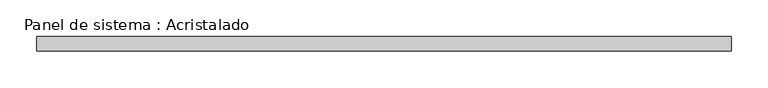
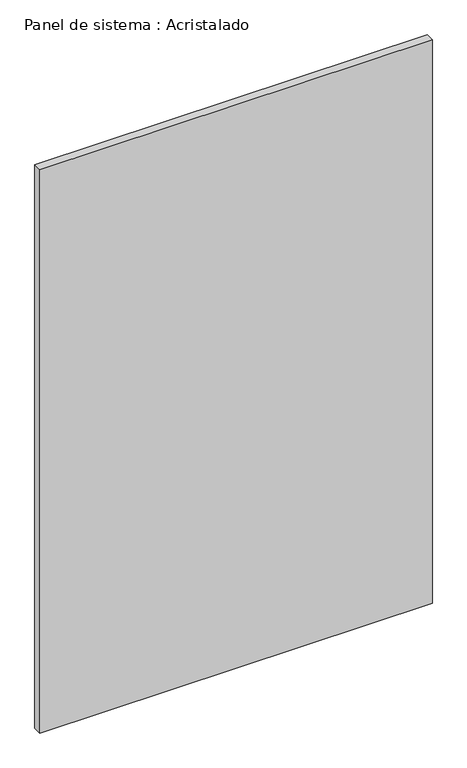
"""IFC4 building model written with IfcOpenShell, lengths in millimetres: plate geometry, Panel de sistema : Acristalado."""

from ifc_helpers import new_model, si_unit, origin, origin_with_axes, place, context, project, spatial, polyline, outline, extrude, source, transform, mapped, element, save


def panel_de_sistema_acristalado_28894d3c(model_context):
    return source(origin(), model_context, "Body", "SweptSolid", [
        extrude(outline(polyline([(474.6493722, -10.0), (-474.6493722, -10.0), (-474.6493722, 10.0), (474.6493722, 10.0), (474.6493722, -10.0)])), origin_with_axes(), (0.0, 0.0, 1.0), 1439.2228533),
    ])


if __name__ == "__main__":
    model = new_model("IFC4")
    model_context = context("Model", 3, world=origin())
    ifc_project = project(units=[si_unit("LENGTHUNIT", "METRE", prefix="MILLI")], contexts=[model_context])
    site = spatial("IfcSite", under=ifc_project)
    building = spatial("IfcBuilding", under=site)
    placement = place(None, origin())
    panel_de_sistema_acristalado_shape = panel_de_sistema_acristalado_28894d3c(model_context)
    element("IfcPlate", 1, ObjectType="Panel de sistema : Acristalado", at=placement, inside=building, context=model_context, shape_type="MappedRepresentation", body=[
        mapped(panel_de_sistema_acristalado_shape, transform((0.0, 0.0, 0.0), x_axis=(1.0, 0.0, 0.0), y_axis=(0.0, 1.0, 0.0), z_axis=(0.0, 0.0, 1.0))),
    ])
    save(model, "model.ifc")
